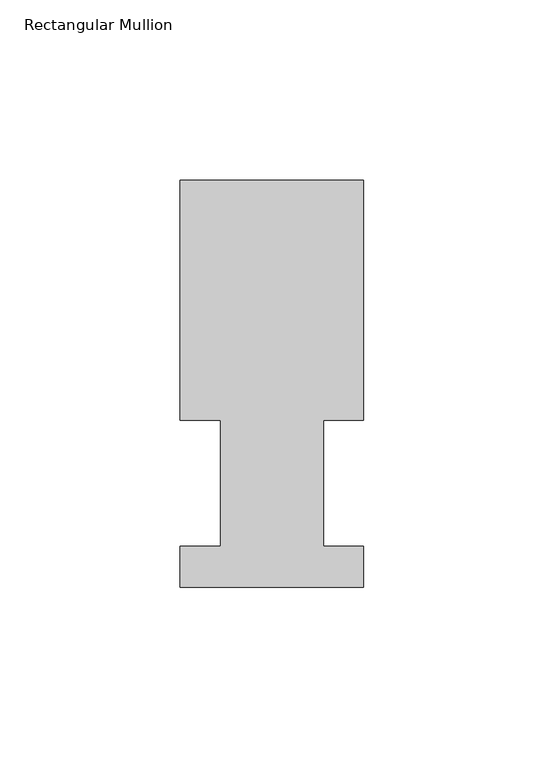
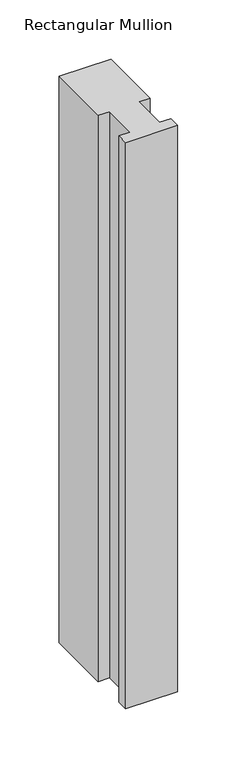
"""IFC4 building model written with IfcOpenShell, lengths in millimetres: member geometry, Rectangular Mullion."""

from ifc_helpers import new_model, si_unit, frame, origin, place, context, project, spatial, polyline, outline, extrude, source, transform, mapped, element, save


def rectangular_mullion_0878ddb4(model_context):
    return source(origin(), model_context, "Body", "SweptSolid", [
        extrude(outline(polyline([(-50.8, 0.739775), (-50.8, 12.144375), (-39.6875, 12.144375), (-39.6875, 47.069375), (-50.8, 47.069375), (-50.8, 113.464975), (0.0, 113.464975), (0.0, 47.069375), (-11.0998, 47.069375), (-11.0998, 12.144375), (0.0, 12.144375), (0.0, 0.739775), (-50.8, 0.739775)])), frame((0.0, 0.0, -584.2), z_axis=(0.0, 0.0, 1.0), x_axis=(1.0, 0.0, 0.0)), (0.0, 0.0, 1.0), 584.2),
    ])


if __name__ == "__main__":
    model = new_model("IFC4")
    model_context = context("Model", 3, world=origin())
    ifc_project = project(units=[si_unit("LENGTHUNIT", "METRE", prefix="MILLI")], contexts=[model_context])
    site = spatial("IfcSite", under=ifc_project)
    building = spatial("IfcBuilding", under=site)
    placement = place(None, origin())
    rectangular_mullion_shape = rectangular_mullion_0878ddb4(model_context)
    element("IfcMember", 1, ObjectType="Rectangular Mullion", at=placement, inside=building, context=model_context, shape_type="MappedRepresentation", body=[
        mapped(rectangular_mullion_shape, transform((0.0, 0.0, 0.0), x_axis=(1.0, 0.0, 0.0), y_axis=(0.0, 1.0, 0.0), z_axis=(0.0, 0.0, 1.0))),
    ])
    save(model, "model.ifc")
